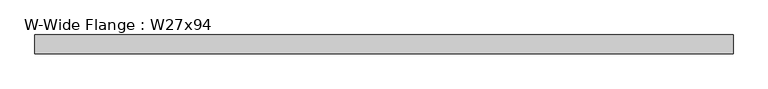
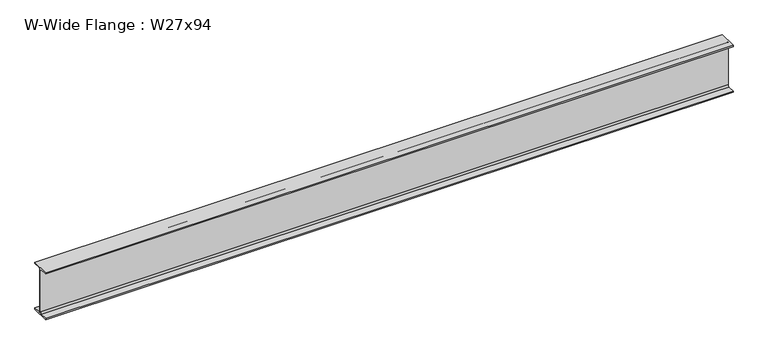
"""IFC4 building model written with IfcOpenShell, lengths in millimetres: beam geometry, W-Wide Flange : W27x94."""

from ifc_helpers import new_model, si_unit, point, frame, frame_2d, origin, place, context, project, spatial, polyline, circle_curve, trimmed, segment, composite_curve, outline, extrude, source, transform, mapped, element, save


def w_wide_flange_w27x94_3456debd(model_context):
    return source(origin(), model_context, "Body", "SweptSolid", [
        extrude(outline(composite_curve([segment(polyline([(127.0, -322.707), (127.0, -341.63), (-127.0, -341.63), (-127.0, -322.707), (-28.575, -322.707)]), True, "CONTINUOUS"), segment(trimmed(circle_curve(frame_2d((-28.575, -300.355)), 22.352), [point((-28.575, -322.707))], [point((-6.223, -300.355))], True, "CARTESIAN"), True, "CONTINUOUS"), segment(polyline([(-6.223, -300.355), (-6.223, 300.355)]), True, "CONTINUOUS"), segment(trimmed(circle_curve(frame_2d((-28.575, 300.355)), 22.352), [point((-6.223, 300.355))], [point((-28.575, 322.707))], True, "CARTESIAN"), True, "CONTINUOUS"), segment(polyline([(-28.575, 322.707), (-127.0, 322.707), (-127.0, 341.63), (127.0, 341.63), (127.0, 322.707), (28.575, 322.707)]), True, "CONTINUOUS"), segment(trimmed(circle_curve(frame_2d((28.575, 300.355)), 22.352), [point((28.575, 322.707))], [point((6.223, 300.355))], True, "CARTESIAN"), True, "CONTINUOUS"), segment(polyline([(6.223, 300.355), (6.223, -300.355)]), True, "CONTINUOUS"), segment(trimmed(circle_curve(frame_2d((28.575, -300.355)), 22.352), [point((6.223, -300.355))], [point((28.575, -322.707))], True, "CARTESIAN"), True, "CONTINUOUS"), segment(polyline([(28.575, -322.707), (127.0, -322.707)]), True, "CONTINUOUS")], self_intersect=False)), frame((-4734.56, 0.0, 0.0), z_axis=(1.0, 0.0, 0.0), x_axis=(0.0, 1.0, 0.0)), (0.0, 0.0, 1.0), 9469.12),
    ])


if __name__ == "__main__":
    model = new_model("IFC4")
    model_context = context("Model", 3, world=origin())
    ifc_project = project(units=[si_unit("LENGTHUNIT", "METRE", prefix="MILLI")], contexts=[model_context])
    site = spatial("IfcSite", under=ifc_project)
    building = spatial("IfcBuilding", under=site)
    placement = place(None, origin())
    w_wide_flange_w27x94_shape = w_wide_flange_w27x94_3456debd(model_context)
    element("IfcBeam", 1, ObjectType="W-Wide Flange : W27x94", at=placement, inside=building, context=model_context, shape_type="MappedRepresentation", body=[
        mapped(w_wide_flange_w27x94_shape, transform((0.0, 0.0, 0.0), x_axis=(1.0, 0.0, 0.0), y_axis=(0.0, 1.0, 0.0), z_axis=(0.0, 0.0, 1.0))),
    ])
    save(model, "model.ifc")
